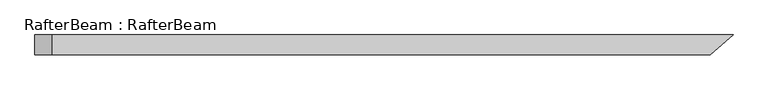
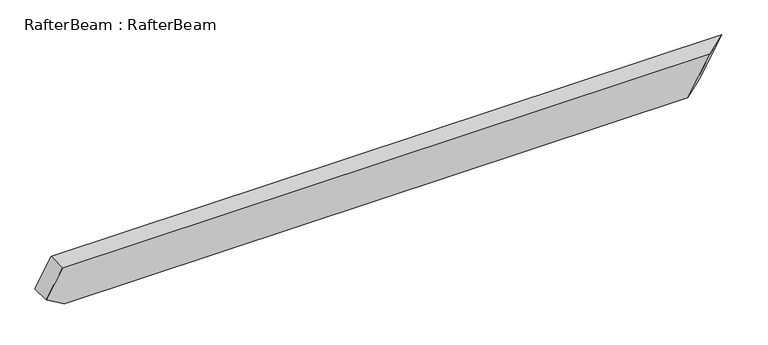
"""IFC4 building model written with IfcOpenShell, lengths in millimetres: beam geometry, RafterBeam : RafterBeam."""

from ifc_helpers import new_model, si_unit, origin, place, context, project, spatial, faceted_brep, source, transform, mapped, element, save


def rafterbeam_rafterbeam_17edb15b(model_context):
    return source(origin(), model_context, "Body", "Brep", [
        faceted_brep([(1275.4116379, -40.0, 80.0), (1368.6418165, 40.0, 80.0), (-1387.3464537, 40.0, 80.0), (-1387.3464537, -40.0, 80.0), (1276.2657734, 40.0, -80.0), (1183.0355948, -40.0, -80.0), (-1379.7224967, -40.0, -80.0), (-1379.7224967, 40.0, -80.0), (-1454.7224967, 40.0, -36.6987298), (-1454.7224967, -40.0, -36.6987298)], [[[0, 1, 2, 3]], [[4, 5, 6, 7]], [[1, 4, 7, 8, 2]], [[5, 0, 3, 9, 6]], [[0, 5, 4, 1]], [[3, 2, 8, 9]], [[7, 6, 9, 8]]]),
    ])


if __name__ == "__main__":
    model = new_model("IFC4")
    model_context = context("Model", 3, world=origin())
    ifc_project = project(units=[si_unit("LENGTHUNIT", "METRE", prefix="MILLI")], contexts=[model_context])
    site = spatial("IfcSite", under=ifc_project)
    building = spatial("IfcBuilding", under=site)
    placement = place(None, origin())
    rafterbeam_rafterbeam_shape = rafterbeam_rafterbeam_17edb15b(model_context)
    element("IfcBeam", 1, ObjectType="RafterBeam : RafterBeam", at=placement, inside=building, context=model_context, shape_type="MappedRepresentation", body=[
        mapped(rafterbeam_rafterbeam_shape, transform((0.0, 0.0, 0.0), x_axis=(1.0, 0.0, 0.0), y_axis=(0.0, 1.0, 0.0), z_axis=(0.0, 0.0, 1.0))),
    ])
    save(model, "model.ifc")
